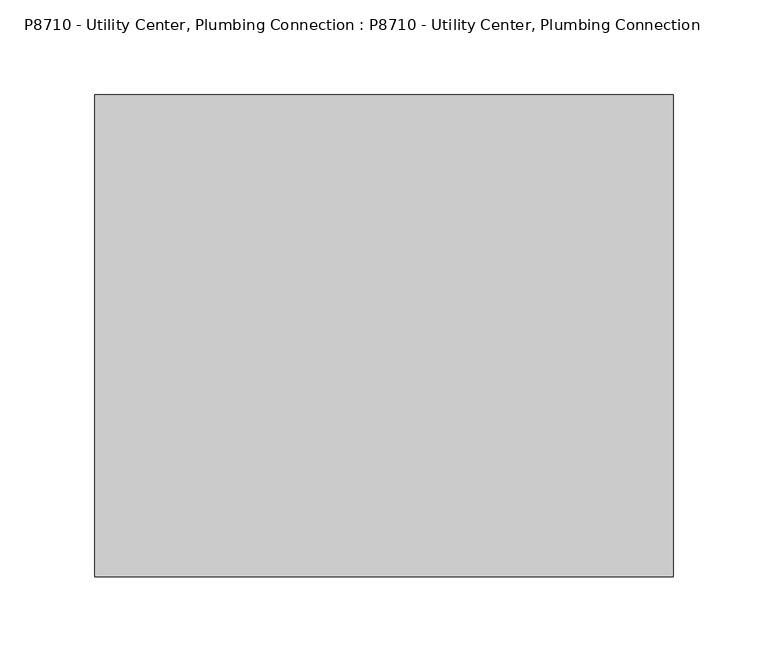
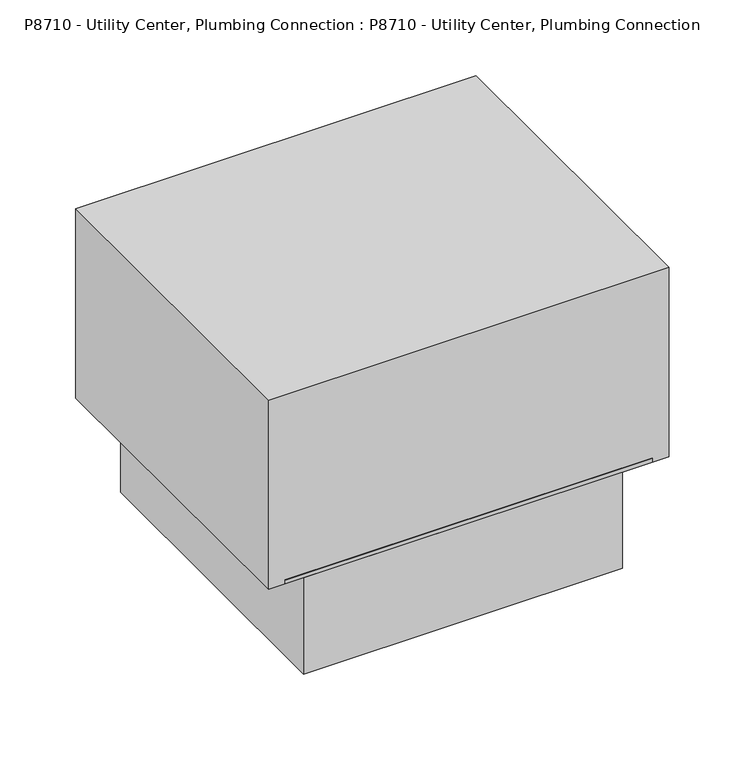
"""IFC4 building model written with IfcOpenShell, lengths in millimetres: proxy geometry, P8710 - Utility Center, Plumbing Connection : P8710 - Utility Center, Plumbing Connection."""

from ifc_helpers import new_model, si_unit, origin, origin_with_axes, place, context, project, spatial, polyline, outline, extrude, faceted_brep, source, transform, mapped, element, save


def p8710_utility_center_plumbing_connection_p8710_utility_40029e6e(model_context):
    return source(origin(), model_context, "Body", "SolidModel", [
        faceted_brep([(139.7, -127.0, 3.175), (139.7, 127.0, 3.175), (-139.7, 127.0, 3.175), (-139.7, -127.0, 3.175), (114.3, 101.6, 3.175), (114.3, -101.9737484, 3.175), (-114.3, -101.9737484, 3.175), (-114.3, 101.6, 3.175), (139.7, -127.0, 0.0), (-139.7, -127.0, 0.0), (-139.7, 127.0, 0.0), (139.7, 127.0, 0.0), (120.65, 120.65, 0.0), (-122.0738096, 120.65, 0.0), (-122.0738096, -120.65, 0.0), (120.65, -120.65, 0.0), (120.65, -120.65, -82.55), (120.65, 120.65, -82.55), (-122.0738096, 120.65, -82.55), (-122.0738096, -120.65, -82.55), (-114.3, 101.6, -76.2), (114.3, 101.6, -76.2), (114.3, -101.9737484, -76.2), (-114.3, -101.9737484, -76.2)], [[[0, 1, 2, 3], [4, 5, 6, 7]], [[8, 9, 10, 11], [12, 13, 14, 15]], [[3, 9, 8, 0]], [[2, 10, 9, 3]], [[1, 11, 10, 2]], [[0, 8, 11, 1]], [[12, 15, 16, 17]], [[14, 13, 18, 19]], [[17, 18, 13, 12]], [[16, 19, 18, 17]], [[15, 14, 19, 16]], [[4, 7, 20, 21]], [[6, 5, 22, 23]], [[7, 6, 23, 20]], [[20, 23, 22, 21]], [[21, 22, 5, 4]]]),
        extrude(outline(polyline([(152.4, -127.0), (-152.4, -127.0), (-152.4, 127.0), (152.4, 127.0), (152.4, -127.0)])), origin_with_axes(), (0.0, 0.0, 1.0), 152.4),
    ])


if __name__ == "__main__":
    model = new_model("IFC4")
    model_context = context("Model", 3, world=origin())
    ifc_project = project(units=[si_unit("LENGTHUNIT", "METRE", prefix="MILLI")], contexts=[model_context])
    site = spatial("IfcSite", under=ifc_project)
    building = spatial("IfcBuilding", under=site)
    placement = place(None, origin())
    p8710_utility_center_plumbing_connection_p8710_utility_shape = p8710_utility_center_plumbing_connection_p8710_utility_40029e6e(model_context)
    element("IfcBuildingElementProxy", 1, Name="P8710 - Utility Center, Plumbing Connection : P8710 - Utility Center, Plumbing Connection", ObjectType="P8710 - Utility Center, Plumbing Connection : P8710 - Utility Center, Plumbing Connection", at=placement, inside=building, context=model_context, shape_type="MappedRepresentation", body=[
        mapped(p8710_utility_center_plumbing_connection_p8710_utility_shape, transform((0.0, 0.0, 0.0), x_axis=(1.0, 0.0, 0.0), y_axis=(0.0, 1.0, 0.0), z_axis=(0.0, 0.0, 1.0))),
    ])
    save(model, "model.ifc")
